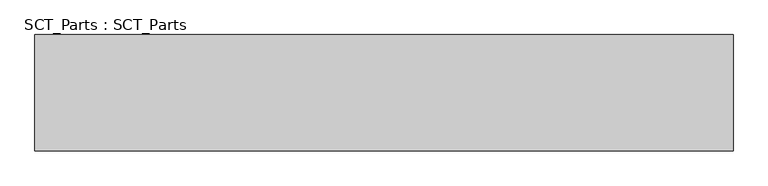
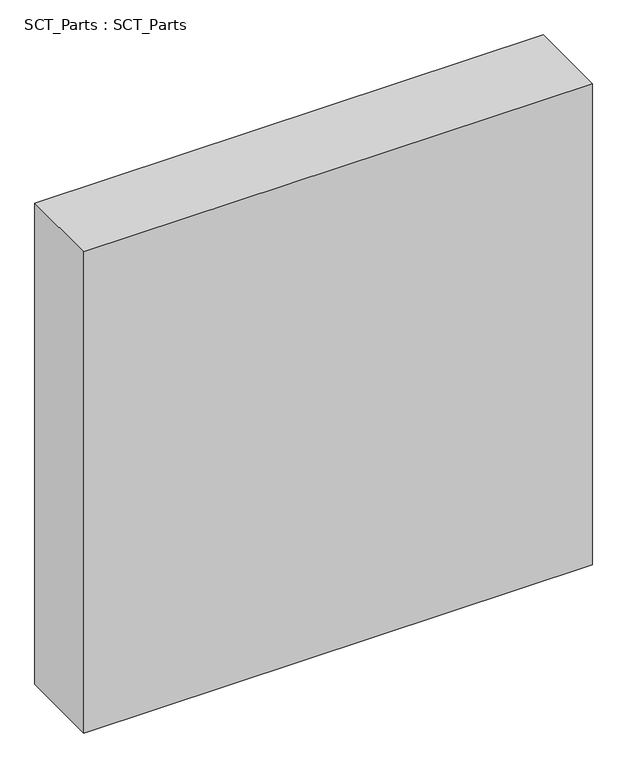
"""IFC4 building model written with IfcOpenShell, lengths in millimetres: proxy geometry, SCT_Parts : SCT_Parts."""

from ifc_helpers import new_model, si_unit, frame, origin, place, context, project, spatial, polyline, outline, extrude, source, transform, mapped, element, save


def sct_parts_sct_parts_8a5a39e4(model_context):
    return source(origin(), model_context, "Body", "SweptSolid", [
        extrude(outline(polyline([(3000.0, 500.0), (3000.0, 0.0), (0.0, 0.0), (0.0, 500.0), (3000.0, 500.0)])), frame((0.0, 0.0, 4000.0), z_axis=(0.0, 0.0, 1.0), x_axis=(1.0, 0.0, 0.0)), (0.0, 0.0, 1.0), 3000.0),
    ])


if __name__ == "__main__":
    model = new_model("IFC4")
    model_context = context("Model", 3, world=origin())
    ifc_project = project(units=[si_unit("LENGTHUNIT", "METRE", prefix="MILLI")], contexts=[model_context])
    site = spatial("IfcSite", under=ifc_project)
    building = spatial("IfcBuilding", under=site)
    placement = place(None, origin())
    sct_parts_sct_parts_shape = sct_parts_sct_parts_8a5a39e4(model_context)
    element("IfcBuildingElementProxy", 1, Name="SCT_Parts : SCT_Parts", ObjectType="SCT_Parts : SCT_Parts", at=placement, inside=building, context=model_context, shape_type="MappedRepresentation", body=[
        mapped(sct_parts_sct_parts_shape, transform((0.0, 0.0, 0.0), x_axis=(1.0, 0.0, 0.0), y_axis=(0.0, 1.0, 0.0), z_axis=(0.0, 0.0, 1.0))),
    ])
    save(model, "model.ifc")
